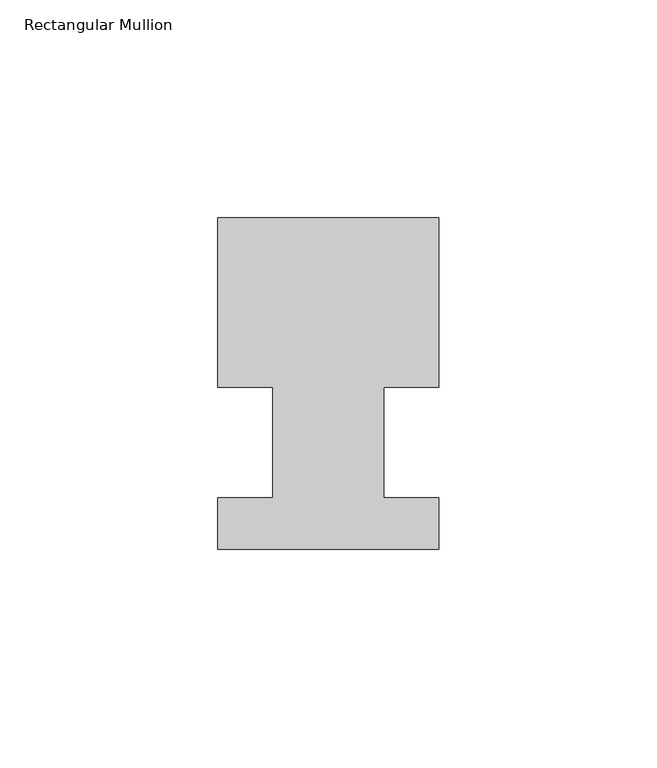
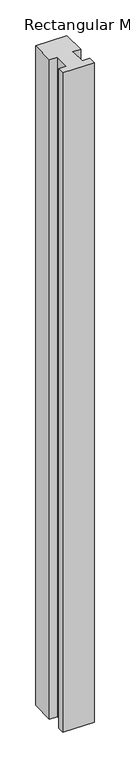
"""IFC4 building model written with IfcOpenShell, lengths in millimetres: member geometry, Rectangular Mullion."""

from ifc_helpers import new_model, si_unit, frame, origin, place, context, project, spatial, polyline, outline, extrude, source, transform, mapped, element, save


def rectangular_mullion_33d4edc7(model_context):
    return source(origin(), model_context, "Body", "SweptSolid", [
        extrude(outline(polyline([(29.7344027, 51.59375), (29.7344027, 12.7), (17.0326322, 12.7), (17.0326322, -12.7), (29.7344027, -12.7), (29.7344027, -24.60625), (-21.0655973, -24.60625), (-21.0655973, -12.7), (-8.3655973, -12.7), (-8.3655973, 12.7), (-21.0655973, 12.7), (-21.0655973, 51.59375), (29.7344027, 51.59375)])), frame((0.0, 0.0, -1130.3), z_axis=(0.0, 0.0, 1.0), x_axis=(1.0, 0.0, 0.0)), (0.0, 0.0, 1.0), 1130.3),
    ])


if __name__ == "__main__":
    model = new_model("IFC4")
    model_context = context("Model", 3, world=origin())
    ifc_project = project(units=[si_unit("LENGTHUNIT", "METRE", prefix="MILLI")], contexts=[model_context])
    site = spatial("IfcSite", under=ifc_project)
    building = spatial("IfcBuilding", under=site)
    placement = place(None, origin())
    rectangular_mullion_shape = rectangular_mullion_33d4edc7(model_context)
    element("IfcMember", 1, ObjectType="Rectangular Mullion", at=placement, inside=building, context=model_context, shape_type="MappedRepresentation", body=[
        mapped(rectangular_mullion_shape, transform((0.0, 0.0, 0.0), x_axis=(1.0, 0.0, 0.0), y_axis=(0.0, 1.0, 0.0), z_axis=(0.0, 0.0, 1.0))),
    ])
    save(model, "model.ifc")
